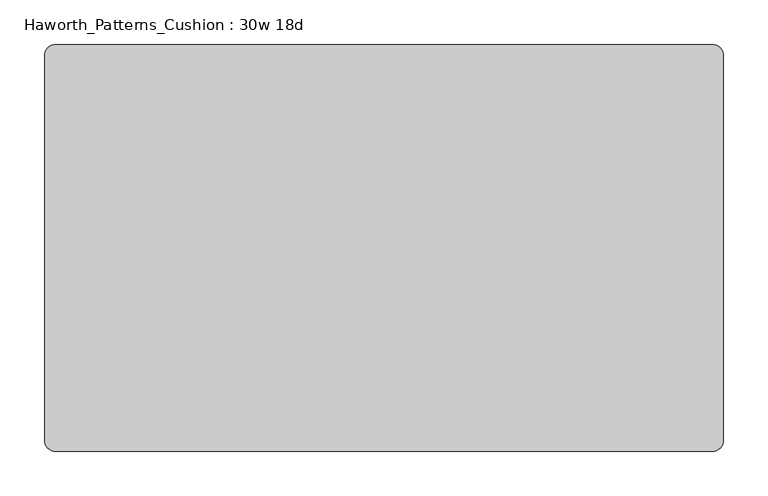
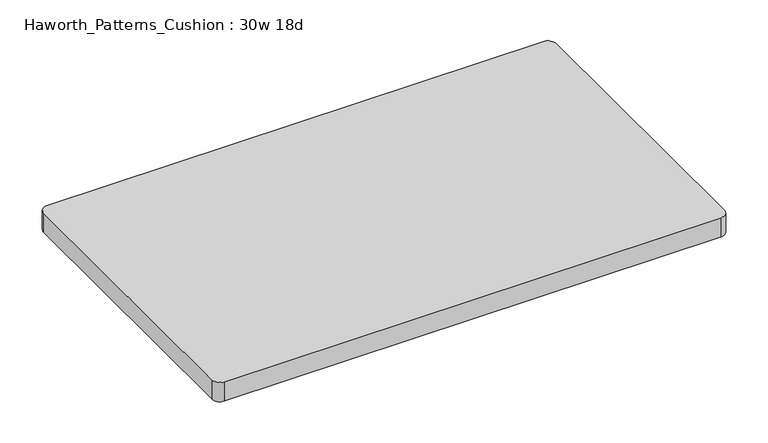
"""IFC4 building model written with IfcOpenShell, lengths in millimetres: furniture geometry, Haworth_Patterns_Cushion : 30w 18d."""

from ifc_helpers import new_model, si_unit, point, frame, frame_2d, origin, place, context, project, spatial, polyline, circle_curve, trimmed, segment, composite_curve, outline, extrude, source, transform, mapped, element, save


def haworth_patterns_cushion_30w_18d_e92975f2(model_context):
    return source(origin(), model_context, "Body", "SweptSolid", [
        extrude(outline(composite_curve([segment(trimmed(circle_curve(frame_2d((368.3, 215.9)), 12.7), [point((368.3, 228.6))], [point((381.0, 215.9))], False, "CARTESIAN"), True, "CONTINUOUS"), segment(polyline([(381.0, 215.9), (381.0, -215.9)]), True, "CONTINUOUS"), segment(trimmed(circle_curve(frame_2d((368.3, -215.9)), 12.7), [point((381.0, -215.9))], [point((368.3, -228.6))], False, "CARTESIAN"), True, "CONTINUOUS"), segment(polyline([(368.3, -228.6), (-368.3, -228.6)]), True, "CONTINUOUS"), segment(trimmed(circle_curve(frame_2d((-368.3, -215.9)), 12.7), [point((-368.3, -228.6))], [point((-381.0, -215.9))], False, "CARTESIAN"), True, "CONTINUOUS"), segment(polyline([(-381.0, -215.9), (-381.0, 215.9)]), True, "CONTINUOUS"), segment(trimmed(circle_curve(frame_2d((-368.3, 215.9)), 12.7), [point((-381.0, 215.9))], [point((-368.3, 228.6))], False, "CARTESIAN"), True, "CONTINUOUS"), segment(polyline([(-368.3, 228.6), (368.3, 228.6)]), True, "CONTINUOUS")], self_intersect=False)), frame((0.0, 0.0, 609.6), z_axis=(0.0, 0.0, 1.0), x_axis=(1.0, 0.0, 0.0)), (0.0, 0.0, 1.0), 30.1625),
    ])


if __name__ == "__main__":
    model = new_model("IFC4")
    model_context = context("Model", 3, world=origin())
    ifc_project = project(units=[si_unit("LENGTHUNIT", "METRE", prefix="MILLI")], contexts=[model_context])
    site = spatial("IfcSite", under=ifc_project)
    building = spatial("IfcBuilding", under=site)
    placement = place(None, origin())
    haworth_patterns_cushion_30w_18d_shape = haworth_patterns_cushion_30w_18d_e92975f2(model_context)
    element("IfcFurniture", 1, ObjectType="Haworth_Patterns_Cushion : 30w 18d", at=placement, inside=building, context=model_context, shape_type="MappedRepresentation", body=[
        mapped(haworth_patterns_cushion_30w_18d_shape, transform((0.0, 0.0, 0.0), x_axis=(1.0, 0.0, 0.0), y_axis=(0.0, 1.0, 0.0), z_axis=(0.0, 0.0, 1.0))),
    ])
    save(model, "model.ifc")
